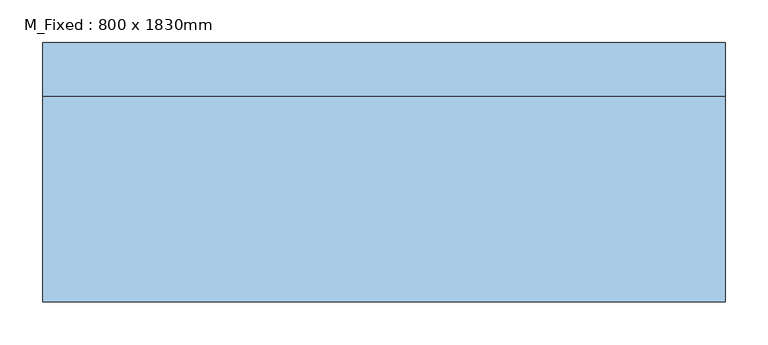
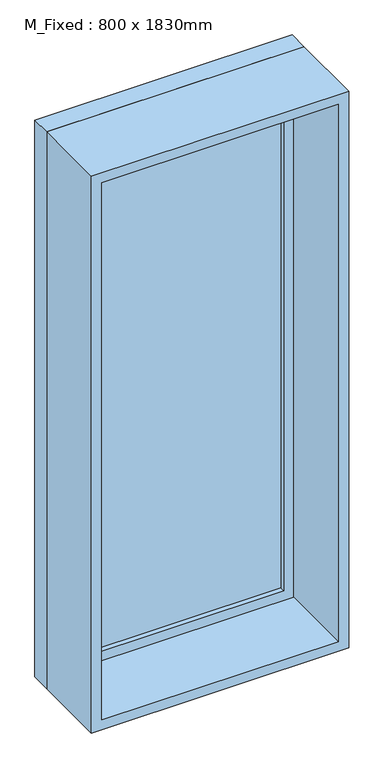
"""IFC4 building model written with IfcOpenShell, lengths in millimetres: window geometry, M_Fixed : 800 x 1830mm."""

from ifc_helpers import new_model, si_unit, frame, origin, place, context, project, spatial, polyline, outline, extrude, source, transform, mapped, element, save


def m_fixed_800_x_1830mm_6d076a20(model_context):
    return source(origin(), model_context, "Body", "SweptSolid", [
        extrude(outline(polyline([(-337.0, 130.0), (337.0, 130.0), (337.0, 118.0), (-337.0, 118.0), (-337.0, 130.0)])), frame((0.0, 0.0, 368.0), z_axis=(0.0, 0.0, 1.0), x_axis=(1.0, 0.0, 0.0)), (0.0, 0.0, 1.0), 1704.0),
        extrude(outline(polyline([(2116.0, -381.0), (324.0, -381.0), (324.0, 381.0), (2116.0, 381.0), (2116.0, -381.0)]), holes=[polyline([(2072.0, -337.0), (2072.0, 337.0), (368.0, 337.0), (368.0, -337.0), (2072.0, -337.0)])]), frame((0.0, 102.0, 0.0), z_axis=(0.0, 1.0, 0.0), x_axis=(0.0, 0.0, 1.0)), (0.0, 0.0, 1.0), 44.0),
        extrude(outline(polyline([(2135.0, -400.0), (305.0, -400.0), (305.0, 400.0), (2135.0, 400.0), (2135.0, -400.0)]), holes=[polyline([(2116.0, -381.0), (2116.0, 381.0), (324.0, 381.0), (324.0, -381.0), (2116.0, -381.0)])]), frame((0.0, 102.0, 0.0), z_axis=(0.0, 1.0, 0.0), x_axis=(0.0, 0.0, 1.0)), (0.0, 0.0, 1.0), 63.0),
        extrude(outline(polyline([(2135.0, -400.0), (305.0, -400.0), (305.0, 400.0), (2135.0, 400.0), (2135.0, -400.0)]), holes=[polyline([(2103.0, -368.0), (2103.0, 368.0), (337.0, 368.0), (337.0, -368.0), (2103.0, -368.0)])]), frame((0.0, -139.0, 0.0), z_axis=(0.0, 1.0, 0.0), x_axis=(0.0, 0.0, 1.0)), (0.0, 0.0, 1.0), 241.0),
    ])


if __name__ == "__main__":
    model = new_model("IFC4")
    model_context = context("Model", 3, world=origin())
    ifc_project = project(units=[si_unit("LENGTHUNIT", "METRE", prefix="MILLI")], contexts=[model_context])
    site = spatial("IfcSite", under=ifc_project)
    building = spatial("IfcBuilding", under=site)
    placement = place(None, origin())
    m_fixed_800_x_1830mm_shape = m_fixed_800_x_1830mm_6d076a20(model_context)
    element("IfcWindow", 1, ObjectType="M_Fixed : 800 x 1830mm", at=placement, inside=building, context=model_context, shape_type="MappedRepresentation", body=[
        mapped(m_fixed_800_x_1830mm_shape, transform((0.0, 0.0, 0.0), x_axis=(1.0, 0.0, 0.0), y_axis=(0.0, 1.0, 0.0), z_axis=(0.0, 0.0, 1.0))),
    ])
    save(model, "model.ifc")
